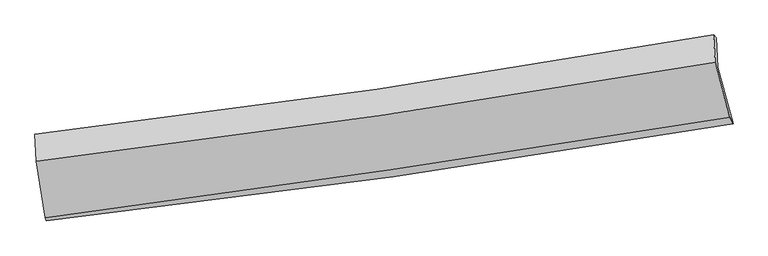
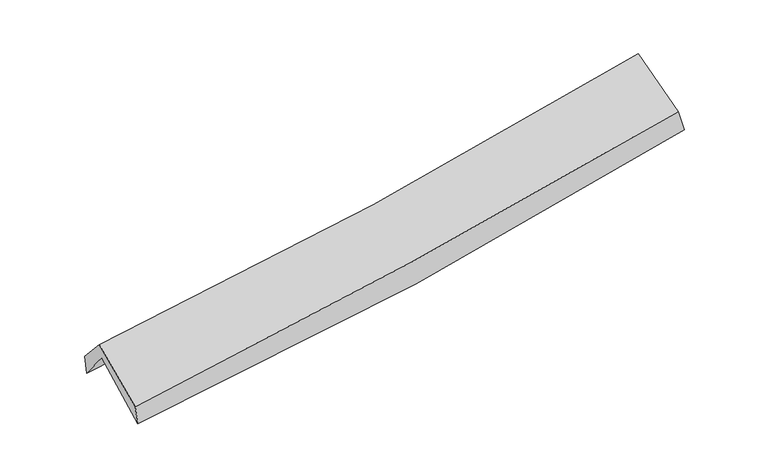
"""IFC4 building model written with IfcOpenShell, lengths in millimetres: proxy geometry."""

import ifcopenshell
import ifcopenshell.guid

model = None  # the IFC model being written
_history = None  # IfcOwnerHistory: only IFC2X3 demands one
_inside = {}  # id of a spatial element -> (the spatial element, [elements in it])
_under = {}  # id of a project, library or spatial element -> (it, [spatial elements below it])
_declared = {}  # id of a project -> (the project, [libraries it declares])
_typed = {}  # id of a type object -> (the type object, [elements of that type])
_made_of = {}  # id of a material, layer set ... -> (it, [elements and type objects made of it])


def new_model(schema):
    """Start an empty IFC model of exactly this schema.

    Asked for "IFC4X3", IfcOpenShell would pick the latest addendum, in which some entities
    have other attributes; the version numbers below select the first issue.
    IFC2X3 requires an IfcOwnerHistory on every rooted entity: one is made here for all.
    """
    global model, _history
    if schema == "IFC4X3":
        model = ifcopenshell.file(schema_version=(4, 3, 0, 0))
    else:
        model = ifcopenshell.file(schema=schema)
    _inside.clear()
    _under.clear()
    _declared.clear()
    _typed.clear()
    _made_of.clear()
    _history = None
    if model.schema == "IFC2X3":
        org = make("IfcOrganization", Name="unknown")
        user = make(
            "IfcPersonAndOrganization",
            ThePerson=make("IfcPerson", FamilyName="unknown"),
            TheOrganization=org,
        )
        app = make(
            "IfcApplication",
            ApplicationDeveloper=org,
            Version="unknown",
            ApplicationFullName="unknown",
            ApplicationIdentifier="unknown",
        )
        _history = make(
            "IfcOwnerHistory",
            OwningUser=user,
            OwningApplication=app,
            ChangeAction="ADDED",
            CreationDate=0,
        )
    return model


def make(cls, **values):
    """One entity of the class cls with the attributes given. An attribute that is None is left unset."""
    return model.create_entity(
        cls, **{name: value for name, value in values.items() if value is not None}
    )


def rooted(cls, **values):
    """An entity with a GlobalId (a new one), such as an element, a storey or a relation."""
    return make(cls, GlobalId=ifcopenshell.guid.new(), OwnerHistory=_history, **values)


def si_unit(unit_type, name, prefix=None):
    """IfcSIUnit, for example si_unit("LENGTHUNIT", "METRE", prefix="MILLI")."""
    return make("IfcSIUnit", UnitType=unit_type, Prefix=prefix, Name=name)


def assignment(units):
    """IfcUnitAssignment: the units of a project."""
    return None if units is None else make("IfcUnitAssignment", Units=units)


def point(xyz):
    """IfcCartesianPoint."""
    return None if xyz is None else make("IfcCartesianPoint", Coordinates=xyz)


def direction(xyz):
    """IfcDirection."""
    return None if xyz is None else make("IfcDirection", DirectionRatios=xyz)


def frame(location, z_axis=None, x_axis=None):
    """IfcAxis2Placement3D, a coordinate frame: its origin and axes. An axis left out is left unset."""
    return make(
        "IfcAxis2Placement3D",
        Location=point(location),
        Axis=direction(z_axis),
        RefDirection=direction(x_axis),
    )


def origin():
    """The frame at (0, 0, 0) with its axes left unset."""
    return frame((0.0, 0.0, 0.0))


def place(relative_to, where):
    """IfcLocalPlacement: puts the frame where relative to a parent placement (None: the world)."""
    return make(
        "IfcLocalPlacement", PlacementRelTo=relative_to, RelativePlacement=where
    )


def context(
    kind, dimensions, precision=None, world=None, true_north=None, identifier=None
):
    """IfcGeometricRepresentationContext, for example the 3D "Model" context."""
    return make(
        "IfcGeometricRepresentationContext",
        ContextIdentifier=identifier,
        ContextType=kind,
        CoordinateSpaceDimension=dimensions,
        Precision=precision,
        WorldCoordinateSystem=world,
        TrueNorth=true_north,
    )


def project(units=None, contexts=None):
    """IfcProject with its units and contexts."""
    return rooted(
        "IfcProject",
        Name="project",
        RepresentationContexts=contexts,
        UnitsInContext=assignment(units),
    )


def spatial(cls, under=None, at=None, **own):
    """A site, building, storey or space (cls), placed at a placement, below another one or the project."""
    s = rooted(cls, ObjectPlacement=at, **own)
    if under is not None:
        _under.setdefault(under.id(), (under, []))[1].append(s)
    return s


def shape(context_of_items, identifier, shape_type, items):
    """IfcShapeRepresentation: the items that make up one representation, for example the "Body"."""
    return make(
        "IfcShapeRepresentation",
        ContextOfItems=context_of_items,
        RepresentationIdentifier=identifier,
        RepresentationType=shape_type,
        Items=items,
    )


def source(mapping_origin, context_of_items, identifier, shape_type, items):
    """IfcRepresentationMap: a shape defined once, which mapped items show again and again."""
    return make(
        "IfcRepresentationMap",
        MappingOrigin=mapping_origin,
        MappedRepresentation=shape(context_of_items, identifier, shape_type, items),
    )


def transform(
    local_origin,
    x_axis=None,
    y_axis=None,
    z_axis=None,
    scale=None,
    scale2=None,
    scale3=None,
    uniform=True,
):
    """IfcCartesianTransformationOperator3D, or its non-uniform kind. x_axis, y_axis, z_axis: its Axis1, 2, 3."""
    if uniform:
        return make(
            "IfcCartesianTransformationOperator3D",
            Axis1=direction(x_axis),
            Axis2=direction(y_axis),
            LocalOrigin=point(local_origin),
            Scale=scale,
            Axis3=direction(z_axis),
        )
    return make(
        "IfcCartesianTransformationOperator3DnonUniform",
        Axis1=direction(x_axis),
        Axis2=direction(y_axis),
        LocalOrigin=point(local_origin),
        Scale=scale,
        Axis3=direction(z_axis),
        Scale2=scale2,
        Scale3=scale3,
    )


def mapped(mapping_source, mapping_target):
    """IfcMappedItem: shows the shape of a source again, moved by a transform."""
    return make(
        "IfcMappedItem", MappingSource=mapping_source, MappingTarget=mapping_target
    )


def made_of(thing, what):
    """Note that an element or type object is made of a material, layer set ...; save() writes the relation."""
    if what is not None:
        _made_of.setdefault(what.id(), (what, []))[1].append(thing)
    return thing


def element(
    cls,
    number,
    at=None,
    inside=None,
    cuts=None,
    type_object=None,
    material=None,
    context=None,
    identifier="Body",
    shape_type=None,
    held_by="IfcProductDefinitionShape",
    body=None,
    shapes=None,
    **own,
):
    """One element of the class cls, such as IfcWall. Its Tag is "e" and its number.

    at: its placement. inside: the storey or other place that contains it. cuts: it is an
    opening in that element (IfcRelVoidsElement). A single representation is given by context,
    identifier, shape_type and body (its items); several are given by shapes. held_by: the class
    of the entity that holds the representations. save() writes the other relations.
    """
    e = rooted(cls, Tag="e%d" % number, ObjectPlacement=at, **own)
    if body is not None:
        shapes = [shape(context, identifier, shape_type, body)]
    if shapes is not None:
        e.Representation = make(held_by, Representations=shapes)
    if inside is not None:
        _inside.setdefault(inside.id(), (inside, []))[1].append(e)
    if cuts is not None:
        rooted(
            "IfcRelVoidsElement", RelatingBuildingElement=cuts, RelatedOpeningElement=e
        )
    if type_object is not None:
        _typed.setdefault(type_object.id(), (type_object, []))[1].append(e)
    return made_of(e, material)


def aggregate(whole, parts):
    """IfcRelAggregates: a whole, such as a stair, and the parts it consists of."""
    return rooted("IfcRelAggregates", RelatingObject=whole, RelatedObjects=parts)


def save(model, path):
    """Write the relations noted so far, then the file.

    IfcRelAggregates (storeys below a building ...), IfcRelContainedInSpatialStructure (elements
    in a storey), IfcRelDefinesByType, IfcRelAssociatesMaterial and IfcRelDeclares: one each for
    every whole, place, type object, material and project.
    """
    for whole, parts in _under.values():
        aggregate(whole, parts)
    for where, things in _inside.values():
        rooted(
            "IfcRelContainedInSpatialStructure",
            RelatedElements=things,
            RelatingStructure=where,
        )
    for kind, things in _typed.values():
        rooted("IfcRelDefinesByType", RelatedObjects=things, RelatingType=kind)
    for what, things in _made_of.values():
        rooted("IfcRelAssociatesMaterial", RelatedObjects=things, RelatingMaterial=what)
    for by, libraries in _declared.values():
        rooted("IfcRelDeclares", RelatingContext=by, RelatedDefinitions=libraries)
    model.write(path)


def plane_surface(at):
    """IfcPlane: the flat surface through the origin of the frame at, square to its z axis."""
    return make("IfcPlane", Position=at)


def spline_curve(degree, points, multiplicities, knots, weights=None):
    """IfcBSplineCurveWithKnots; with weights, IfcRationalBSplineCurveWithKnots."""
    own = dict(
        Degree=degree,
        ControlPointsList=[point(p) for p in points],
        CurveForm="UNSPECIFIED",
        ClosedCurve=False,
        SelfIntersect=False,
        KnotMultiplicities=multiplicities,
        Knots=knots,
        KnotSpec="UNSPECIFIED",
    )
    if weights is None:
        return make("IfcBSplineCurveWithKnots", **own)
    return make("IfcRationalBSplineCurveWithKnots", WeightsData=weights, **own)


def spline_surface(u_degree, v_degree, points, u_multiplicities, v_multiplicities, u_knots, v_knots, weights=None):
    """IfcBSplineSurfaceWithKnots; with weights, IfcRationalBSplineSurfaceWithKnots. points: one row for each step in u."""
    own = dict(
        UDegree=u_degree,
        VDegree=v_degree,
        ControlPointsList=[[point(p) for p in row] for row in points],
        SurfaceForm="UNSPECIFIED",
        UClosed=False,
        VClosed=False,
        SelfIntersect=False,
        UMultiplicities=u_multiplicities,
        VMultiplicities=v_multiplicities,
        UKnots=u_knots,
        VKnots=v_knots,
        KnotSpec="UNSPECIFIED",
    )
    if weights is None:
        return make("IfcBSplineSurfaceWithKnots", **own)
    return make("IfcRationalBSplineSurfaceWithKnots", WeightsData=weights, **own)


def advanced_brep(points, edges, surfaces, faces):
    """IfcAdvancedBrep: a solid bounded by faces that lie on surfaces and meet in shared edges.

    An edge is (start, end): straight between two places in points (the first is 0);
    or (start, end, curve); or (start, end, curve, False) where it runs against its curve.
    A face is (place in surfaces, loops), or (place, loops, False) where it looks against
    its surface's normal. A loop lists edges by number (the first is 1), with a minus sign
    where the edge is run from its end to its start. The first loop is the outer one.
    """
    corners = [point(p) for p in points]
    vertices = [make("IfcVertexPoint", VertexGeometry=c) for c in corners]
    made = []
    for start, end, *more in edges:
        made.append(
            make(
                "IfcEdgeCurve",
                EdgeStart=vertices[start],
                EdgeEnd=vertices[end],
                EdgeGeometry=more[0] if more else make("IfcPolyline", Points=[corners[start], corners[end]]),
                SameSense=more[1] if len(more) > 1 else True,
            )
        )
    hull = []
    for where, loops, *sense in faces:
        bounds = []
        for j, loop in enumerate(loops):
            ring = [make("IfcOrientedEdge", EdgeElement=made[abs(k) - 1], Orientation=k > 0) for k in loop]
            bounds.append(
                make(
                    "IfcFaceOuterBound" if j == 0 else "IfcFaceBound",
                    Bound=make("IfcEdgeLoop", EdgeList=ring),
                    Orientation=True,
                )
            )
        hull.append(make("IfcAdvancedFace", Bounds=bounds, FaceSurface=surfaces[where], SameSense=sense[0] if sense else True))
    return make("IfcAdvancedBrep", Outer=make("IfcClosedShell", CfsFaces=hull))


def generic_models_5646a6b6(model_context):
    return source(origin(), model_context, "Body", "AdvancedBrep", [
        advanced_brep(
        [(-2978.5498759, -2508.0231686, 1461.1465289), (-3058.1607148, -2001.7676654, 1895.4025875), (2980.0656619, -1143.6709063, 2395.8492065), (3115.8042493, -1643.6827044, 1983.7461265), (-3069.5603901, -1757.2675274, 1583.2765655), (2966.7760318, -884.0359937, 2081.7152594), (-3080.6410831, -1739.4927258, 1758.375185), (2941.9401805, -857.4483583, 2266.3124011), (-3067.5199114, -1977.7330069, 2023.666459), (2956.8242013, -1099.0092771, 2535.3134365), (-2990.659708, -2479.2826766, 1632.2376849), (3086.7548982, -1587.9940382, 2158.2863778)],
        [
            (0, 1),
            (1, 2, spline_curve(3, [(-3058.1607148, -2001.7676654, 1895.4025875), (-2039.586342336, -1884.231067059, 1943.749419467), (-1024.197740816, -1753.460977099, 2009.9735671), (988.470931901, -1467.123605667, 2177.201295583), (1985.8244561, -1311.86144265, 2277.79268758), (2980.0656619, -1143.6709063, 2395.8492065)], [4, 2, 4], [0.0, 10.148174661101773, 20.178676259229096])),
            (2, 3),
            (3, 0, spline_curve(3, [(3115.8042493, -1643.6827044, 1983.7461265), (2114.267377889, -1815.058289783, 1854.13308252), (1108.621828905, -1972.436522521, 1745.905118226), (-922.732578512, -2260.880357403, 1571.200549853), (-1948.538404714, -2391.615612873, 1505.22864831), (-2978.5498759, -2508.0231686, 1461.1465289)], [4, 2, 4], [0.0, 10.030501598127323, 20.178676259229096])),
            (1, 4),
            (4, 5, spline_curve(3, [(-3069.5603901, -1757.2675274, 1583.2765655), (-2051.843838626, -1632.134096784, 1630.625916718), (-1037.040984944, -1496.311757324, 1696.184948109), (975.003975641, -1204.988130267, 1862.751031195), (1972.313262814, -1049.733292063, 1963.338231285), (2966.7760318, -884.0359937, 2081.7152594)], [4, 2, 4], [0.0, 10.099677874021438, 20.08224502910277])),
            (5, 2),
            (4, 6),
            (6, 7, spline_curve(3, [(-3080.6410831, -1739.4927258, 1758.375185), (-2064.508222306, -1621.246543785, 1814.245450346), (-1051.65226767, -1488.104753745, 1884.840895692), (955.799266386, -1193.746523701, 2054.492812602), (1950.470399305, -1032.873524759, 2153.209772592), (2941.9401805, -857.4483583, 2266.3124011)], [4, 2, 4], [0.0, 10.090082501757523, 20.063165547622965])),
            (7, 5),
            (6, 8),
            (8, 9, spline_curve(3, [(-3067.5199114, -1977.7330069, 2023.666459), (-2051.280726209, -1856.66653176, 2076.5057674), (-1038.223296705, -1722.402774709, 2145.907334892), (969.818047511, -1429.190581559, 2316.838195571), (1964.875322228, -1270.546428326, 2417.98562041), (2956.8242013, -1099.0092771, 2535.3134365)], [4, 2, 4], [0.0, 10.081928328068017, 20.046951751887583])),
            (9, 7),
            (8, 10),
            (10, 11, spline_curve(3, [(-2990.659708, -2479.2826766, 1632.2376849), (-1966.735789661, -2344.766475406, 1694.128568602), (-945.384128317, -2202.757748755, 1769.24371229), (1080.361433403, -1905.488784199, 1944.898182384), (2084.814640789, -1750.401298146, 2045.132602614), (3086.7548982, -1587.9940382, 2158.2863778)], [4, 2, 4], [0.0, 10.128228906023326, 20.139016029885923])),
            (11, 9),
            (10, 0),
            (3, 11),
        ],
        [
            spline_surface(3, 3, [[(-2978.5498759, -2508.0231686, 1461.1465289), (-1948.538404771, -2391.615613022, 1505.228648386), (-922.732578561, -2260.880357494, 1571.200549948), (1108.621828953, -1972.436522431, 1745.905118132), (2114.267377797, -1815.058289922, 1854.133082447), (3115.8042493, -1643.6827044, 1983.7461265)], [(-3005.086822193, -2339.2713342, 1605.898548426), (-1978.887717282, -2222.487431045, 1651.402238778), (-956.554299316, -2091.740564031, 1717.458222329), (1068.571529952, -1803.998883524, 1889.670510606), (2071.453070545, -1647.32600751, 1995.352950871), (3070.55805352, -1477.012105029, 2121.113819844)], [(-3031.623768507, -2170.5194998, 1750.650567974), (-2009.237029813, -2053.359249067, 1797.575829192), (-990.376020091, -1922.600770543, 1863.715894729), (1028.521230931, -1635.561244593, 2033.435903098), (2028.638763232, -1479.593725113, 2136.572819264), (3025.31185768, -1310.341505671, 2258.481513156)], [(-3058.1607148, -2001.7676654, 1895.4025875), (-2039.586342324, -1884.23106709, 1943.749419584), (-1024.197740846, -1753.46097708, 2009.97356711), (988.47093193, -1467.123605686, 2177.201295573), (1985.82445598, -1311.861442702, 2277.792687688), (2980.0656619, -1143.6709063, 2395.8492065)]], [4, 4], [4, 2, 4], [0.0, 2.22024874297709], [0.0, 10.148174661101773, 20.178676259229096]),
            spline_surface(3, 3, [[(-3058.1607148, -2001.7676654, 1895.4025875), (-2039.586342324, -1884.23106709, 1943.749419584), (-1024.197740846, -1753.46097708, 2009.97356711), (988.47093193, -1467.123605686, 2177.201295573), (1985.82445598, -1311.861442702, 2277.792687688), (2980.0656619, -1143.6709063, 2395.8492065)], [(-3061.960606576, -1920.267619399, 1791.360580175), (-2043.672174467, -1800.19874366, 1839.374918648), (-1028.478822264, -1667.744570497, 1905.377360733), (983.98194655, -1379.745113895, 2072.384540794), (1981.320724891, -1224.48539244, 2172.974535557), (2975.635785173, -1057.125935433, 2291.137890798)], [(-3065.760498324, -1838.767573401, 1687.318572825), (-2047.758006583, -1716.166420233, 1735.000417688), (-1032.759903679, -1582.028163888, 1800.7811544), (979.492961173, -1292.366622076, 1967.567786059), (1976.816993883, -1137.109342181, 2068.156383434), (2971.205908527, -970.580964567, 2186.426575102)], [(-3069.5603901, -1757.2675274, 1583.2765655), (-2051.843838726, -1632.134096803, 1630.625916752), (-1037.040985097, -1496.311757306, 1696.184948024), (975.003975792, -1204.988130285, 1862.75103128), (1972.313262794, -1049.73329192, 1963.338231303), (2966.7760318, -884.0359937, 2081.7152594)]], [4, 4], [4, 2, 4], [0.0, 1.3376835842019594], [0.0, 10.099677874021438, 20.08224502910277]),
            spline_surface(3, 3, [[(-3069.5603901, -1757.2675274, 1583.2765655), (-2051.843838726, -1632.134096803, 1630.625916752), (-1037.040985097, -1496.311757306, 1696.184948024), (975.003975792, -1204.988130285, 1862.75103128), (1972.313262794, -1049.73329192, 1963.338231303), (2966.7760318, -884.0359937, 2081.7152594)], [(-3073.253954418, -1751.342593517, 1641.642772004), (-2056.065299937, -1628.504912485, 1691.832427913), (-1041.91141258, -1493.576089471, 1759.070263914), (968.602405952, -1201.240928075, 1926.664958375), (1965.032308307, -1044.113369473, 2026.628745026), (2958.497414728, -875.173448559, 2143.247639976)], [(-3076.947518782, -1745.417659683, 1700.008978496), (-2060.286761194, -1624.875728215, 1753.038939062), (-1046.781840067, -1490.840421631, 1821.955579822), (962.200836108, -1197.493725859, 1990.578885487), (1957.751353737, -1038.493447049, 2089.919258721), (2950.218797572, -866.310903441, 2204.780020524)], [(-3080.6410831, -1739.4927258, 1758.375185), (-2064.508222406, -1621.246543897, 1814.245450222), (-1051.65226755, -1488.104753797, 1884.840895712), (955.799266268, -1193.746523649, 2054.492812582), (1950.47039925, -1032.873524603, 2153.209772443), (2941.9401805, -857.4483583, 2266.3124011)]], [4, 4], [4, 2, 4], [0.0, 0.6272141525195872], [0.0, 10.090082501757523, 20.063165547622965]),
            spline_surface(3, 3, [[(-3080.6410831, -1739.4927258, 1758.375185), (-2064.508222406, -1621.246543897, 1814.245450222), (-1051.65226755, -1488.104753797, 1884.840895712), (955.799266268, -1193.746523649, 2054.492812582), (1950.47039925, -1032.873524603, 2153.209772443), (2941.9401805, -857.4483583, 2266.3124011)], [(-3076.26735921, -1818.906152824, 1846.805609668), (-2060.099056999, -1699.719873123, 1901.665555929), (-1047.175943909, -1566.204094119, 1971.863042108), (960.472193304, -1272.227876227, 2141.941273577), (1955.272040171, -1112.097825835, 2241.468388463), (2946.901520744, -937.968664576, 2355.979412909)], [(-3071.89363529, -1898.319579876, 1935.236034332), (-2055.68989156, -1778.193202378, 1989.085661633), (-1042.699620239, -1644.303434503, 2058.885188502), (965.145120369, -1350.709228866, 2229.389734571), (1960.07368116, -1191.322127038, 2329.727004457), (2951.862861056, -1018.488970824, 2445.646424691)], [(-3067.5199114, -1977.7330069, 2023.666459), (-2051.280726153, -1856.666531604, 2076.50576734), (-1038.223296598, -1722.402774826, 2145.907334897), (969.818047406, -1429.190581443, 2316.838195566), (1964.875322081, -1270.546428271, 2417.985620477), (2956.8242013, -1099.0092771, 2535.3134365)]], [4, 4], [4, 2, 4], [0.0, 1.1545376470896183], [0.0, 10.081928328068017, 20.046951751887583]),
            spline_surface(3, 3, [[(-3067.5199114, -1977.7330069, 2023.666459), (-2051.280726153, -1856.666531604, 2076.50576734), (-1038.223296598, -1722.402774826, 2145.907334897), (969.818047406, -1429.190581443, 2316.838195566), (1964.875322081, -1270.546428271, 2417.985620477), (2956.8242013, -1099.0092771, 2535.3134365)], [(-3041.899843584, -2144.916230131, 1893.190200959), (-2023.099080586, -2019.366512897, 1949.046701064), (-1007.276907112, -1882.52109946, 2020.352794098), (1006.665842694, -1587.956649078, 2192.858191144), (2004.855094946, -1430.498051616, 2293.701281176), (3000.134433605, -1262.004197485, 2409.637750249)], [(-3016.279775816, -2312.099453369, 1762.713942941), (-1994.917435067, -2182.066494197, 1821.58763481), (-976.330517648, -2042.639424032, 1894.798253237), (1043.513637961, -1746.722716652, 2068.878186661), (2044.834867797, -1590.449674906, 2169.416941928), (3043.444665895, -1424.999117815, 2283.962064051)], [(-2990.659708, -2479.2826766, 1632.2376849), (-1966.7357895, -2344.76647549, 1694.128568535), (-945.384128162, -2202.757748666, 1769.243712437), (1080.361433249, -1905.488784287, 1944.898182239), (2084.814640662, -1750.401298251, 2045.132602627), (3086.7548982, -1587.9940382, 2158.2863778)]], [4, 4], [4, 2, 4], [0.0, 2.0204816789062425], [0.0, 10.128228906023326, 20.139016029885923]),
            spline_surface(3, 3, [[(-2990.659708, -2479.2826766, 1632.2376849), (-1966.7357895, -2344.76647549, 1694.128568535), (-945.384128162, -2202.757748666, 1769.243712437), (1080.361433249, -1905.488784287, 1944.898182239), (2084.814640662, -1750.401298251, 2045.132602627), (3086.7548982, -1587.9940382, 2158.2863778)], [(-2986.623097319, -2488.862840629, 1575.207299568), (-1960.669994609, -2360.382854697, 1631.161928487), (-937.833611633, -2222.13195159, 1703.229324946), (1089.781565146, -1927.804696982, 1878.567160875), (2094.632219704, -1771.953628792, 1981.466095891), (3096.43801523, -1606.556926918, 2100.106294025)], [(-2982.586486581, -2498.443004571, 1518.176914232), (-1954.604199662, -2375.999233816, 1568.195288434), (-930.28309509, -2241.506154571, 1637.214937439), (1099.201697056, -1950.120609735, 1812.236139496), (2104.449798756, -1793.50595938, 1917.799589182), (3106.12113227, -1625.119815682, 2041.926210275)], [(-2978.5498759, -2508.0231686, 1461.1465289), (-1948.538404771, -2391.615613022, 1505.228648386), (-922.732578561, -2260.880357494, 1571.200549948), (1108.621828953, -1972.436522431, 1745.905118132), (2114.267377797, -1815.058289922, 1854.133082447), (3115.8042493, -1643.6827044, 1983.7461265)]], [4, 4], [4, 2, 4], [0.0, 0.6878612149414719], [0.0, 10.18480272266317, 20.25150766201166]),
            plane_surface(frame((3008.0275372, -1202.640213, 2236.870468), z_axis=(0.9782646627727319, 0.17825383773180653, 0.10594252641897925), x_axis=(0.20591843702767235, -0.7749591138864662, -0.5975248690191763))),
            plane_surface(frame((-3040.8486139, -2077.2611285, 1725.6841685), z_axis=(-0.9923834385463377, -0.11193419241862049, -0.051437801921721066), x_axis=(-0.06963256924375186, 0.16526028586115368, 0.9837887696134795))),
        ],
        [
            (0, [[1, 2, 3, 4]]),
            (1, [[5, 6, 7, -2]]),
            (2, [[8, 9, 10, -6]]),
            (3, [[11, 12, 13, -9]]),
            (4, [[14, 15, 16, -12]]),
            (5, [[17, -4, 18, -15]]),
            (6, [[-16, -18, -3, -7, -10, -13]]),
            (7, [[-17, -14, -11, -8, -5, -1]]),
        ],
    ),
    ])


if __name__ == "__main__":
    model = new_model("IFC4")
    model_context = context("Model", 3, world=origin())
    ifc_project = project(units=[si_unit("LENGTHUNIT", "METRE", prefix="MILLI")], contexts=[model_context])
    site = spatial("IfcSite", under=ifc_project)
    building = spatial("IfcBuilding", under=site)
    placement = place(None, origin())
    generic_models_shape = generic_models_5646a6b6(model_context)
    element("IfcBuildingElementProxy", 1, Name="Generic Models", at=placement, inside=building, context=model_context, shape_type="MappedRepresentation", body=[
        mapped(generic_models_shape, transform((0.0, 0.0, 0.0), x_axis=(1.0, 0.0, 0.0), y_axis=(0.0, 1.0, 0.0), z_axis=(0.0, 0.0, 1.0))),
    ])
    save(model, "model.ifc")
